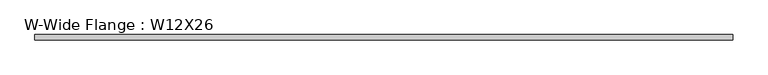
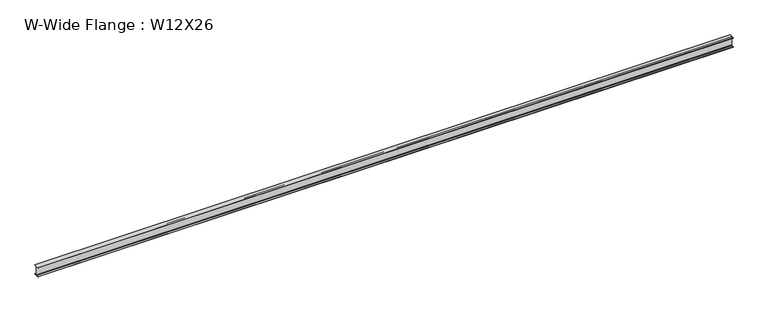
"""IFC4 building model written with IfcOpenShell, lengths in millimetres: beam geometry, W-Wide Flange : W12X26."""

from ifc_helpers import new_model, si_unit, point, frame, frame_2d, origin, place, context, project, spatial, polyline, circle_curve, trimmed, segment, composite_curve, outline, extrude, source, transform, mapped, element, save


def w_wide_flange_w12x26_1ce1942b(model_context):
    return source(origin(), model_context, "Body", "SweptSolid", [
        extrude(outline(composite_curve([segment(polyline([(82.4011719, -145.5539063), (82.4011719, -155.178125), (-82.4011719, -155.178125), (-82.4011719, -145.5539063), (-20.2902344, -145.5539063)]), True, "CONTINUOUS"), segment(trimmed(circle_curve(frame_2d((-20.2902344, -128.190625)), 17.3632812), [point((-20.2902344, -145.5539063))], [point((-2.9269531, -128.190625))], True, "CARTESIAN"), True, "CONTINUOUS"), segment(polyline([(-2.9269531, -128.190625), (-2.9269531, 128.190625)]), True, "CONTINUOUS"), segment(trimmed(circle_curve(frame_2d((-20.2902344, 128.190625)), 17.3632812), [point((-2.9269531, 128.190625))], [point((-20.2902344, 145.5539062))], True, "CARTESIAN"), True, "CONTINUOUS"), segment(polyline([(-20.2902344, 145.5539062), (-82.4011719, 145.5539062), (-82.4011719, 155.178125), (82.4011719, 155.178125), (82.4011719, 145.5539062), (20.2902344, 145.5539062)]), True, "CONTINUOUS"), segment(trimmed(circle_curve(frame_2d((20.2902344, 128.190625)), 17.3632812), [point((20.2902344, 145.5539062))], [point((2.9269531, 128.190625))], True, "CARTESIAN"), True, "CONTINUOUS"), segment(polyline([(2.9269531, 128.190625), (2.9269531, -128.190625)]), True, "CONTINUOUS"), segment(trimmed(circle_curve(frame_2d((20.2902344, -128.190625)), 17.3632812), [point((2.9269531, -128.190625))], [point((20.2902344, -145.5539063))], True, "CARTESIAN"), True, "CONTINUOUS"), segment(polyline([(20.2902344, -145.5539063), (82.4011719, -145.5539063)]), True, "CONTINUOUS")], self_intersect=False)), frame((-10972.8, 0.0, 0.0), z_axis=(1.0, 0.0, 0.0), x_axis=(0.0, 1.0, 0.0)), (0.0, 0.0, 1.0), 21945.6),
    ])


if __name__ == "__main__":
    model = new_model("IFC4")
    model_context = context("Model", 3, world=origin())
    ifc_project = project(units=[si_unit("LENGTHUNIT", "METRE", prefix="MILLI")], contexts=[model_context])
    site = spatial("IfcSite", under=ifc_project)
    building = spatial("IfcBuilding", under=site)
    placement = place(None, origin())
    w_wide_flange_w12x26_shape = w_wide_flange_w12x26_1ce1942b(model_context)
    element("IfcBeam", 1, ObjectType="W-Wide Flange : W12X26", at=placement, inside=building, context=model_context, shape_type="MappedRepresentation", body=[
        mapped(w_wide_flange_w12x26_shape, transform((0.0, 0.0, 0.0), x_axis=(1.0, 0.0, 0.0), y_axis=(0.0, 1.0, 0.0), z_axis=(0.0, 0.0, 1.0))),
    ])
    save(model, "model.ifc")
